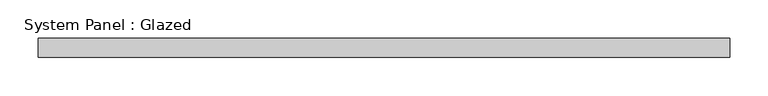
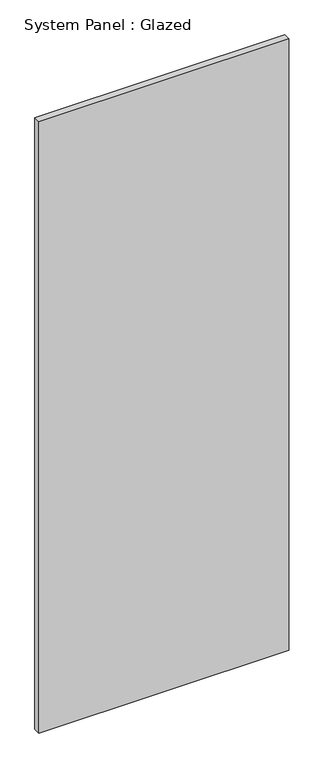
"""IFC4 building model written with IfcOpenShell, lengths in millimetres: plate geometry, System Panel : Glazed."""

import ifcopenshell
import ifcopenshell.guid

model = None  # the IFC model being written
_history = None  # IfcOwnerHistory: only IFC2X3 demands one
_inside = {}  # id of a spatial element -> (the spatial element, [elements in it])
_under = {}  # id of a project, library or spatial element -> (it, [spatial elements below it])
_declared = {}  # id of a project -> (the project, [libraries it declares])
_typed = {}  # id of a type object -> (the type object, [elements of that type])
_made_of = {}  # id of a material, layer set ... -> (it, [elements and type objects made of it])


def new_model(schema):
    """Start an empty IFC model of exactly this schema.

    Asked for "IFC4X3", IfcOpenShell would pick the latest addendum, in which some entities
    have other attributes; the version numbers below select the first issue.
    IFC2X3 requires an IfcOwnerHistory on every rooted entity: one is made here for all.
    """
    global model, _history
    if schema == "IFC4X3":
        model = ifcopenshell.file(schema_version=(4, 3, 0, 0))
    else:
        model = ifcopenshell.file(schema=schema)
    _inside.clear()
    _under.clear()
    _declared.clear()
    _typed.clear()
    _made_of.clear()
    _history = None
    if model.schema == "IFC2X3":
        org = make("IfcOrganization", Name="unknown")
        user = make(
            "IfcPersonAndOrganization",
            ThePerson=make("IfcPerson", FamilyName="unknown"),
            TheOrganization=org,
        )
        app = make(
            "IfcApplication",
            ApplicationDeveloper=org,
            Version="unknown",
            ApplicationFullName="unknown",
            ApplicationIdentifier="unknown",
        )
        _history = make(
            "IfcOwnerHistory",
            OwningUser=user,
            OwningApplication=app,
            ChangeAction="ADDED",
            CreationDate=0,
        )
    return model


def make(cls, **values):
    """One entity of the class cls with the attributes given. An attribute that is None is left unset."""
    return model.create_entity(
        cls, **{name: value for name, value in values.items() if value is not None}
    )


def rooted(cls, **values):
    """An entity with a GlobalId (a new one), such as an element, a storey or a relation."""
    return make(cls, GlobalId=ifcopenshell.guid.new(), OwnerHistory=_history, **values)


def si_unit(unit_type, name, prefix=None):
    """IfcSIUnit, for example si_unit("LENGTHUNIT", "METRE", prefix="MILLI")."""
    return make("IfcSIUnit", UnitType=unit_type, Prefix=prefix, Name=name)


def assignment(units):
    """IfcUnitAssignment: the units of a project."""
    return None if units is None else make("IfcUnitAssignment", Units=units)


def point(xyz):
    """IfcCartesianPoint."""
    return None if xyz is None else make("IfcCartesianPoint", Coordinates=xyz)


def direction(xyz):
    """IfcDirection."""
    return None if xyz is None else make("IfcDirection", DirectionRatios=xyz)


def frame(location, z_axis=None, x_axis=None):
    """IfcAxis2Placement3D, a coordinate frame: its origin and axes. An axis left out is left unset."""
    return make(
        "IfcAxis2Placement3D",
        Location=point(location),
        Axis=direction(z_axis),
        RefDirection=direction(x_axis),
    )


def origin():
    """The frame at (0, 0, 0) with its axes left unset."""
    return frame((0.0, 0.0, 0.0))


def origin_with_axes():
    """The frame at (0, 0, 0) with the z axis (0, 0, 1) and the x axis (1, 0, 0) written out."""
    return frame((0.0, 0.0, 0.0), z_axis=(0.0, 0.0, 1.0), x_axis=(1.0, 0.0, 0.0))


def place(relative_to, where):
    """IfcLocalPlacement: puts the frame where relative to a parent placement (None: the world)."""
    return make(
        "IfcLocalPlacement", PlacementRelTo=relative_to, RelativePlacement=where
    )


def context(
    kind, dimensions, precision=None, world=None, true_north=None, identifier=None
):
    """IfcGeometricRepresentationContext, for example the 3D "Model" context."""
    return make(
        "IfcGeometricRepresentationContext",
        ContextIdentifier=identifier,
        ContextType=kind,
        CoordinateSpaceDimension=dimensions,
        Precision=precision,
        WorldCoordinateSystem=world,
        TrueNorth=true_north,
    )


def project(units=None, contexts=None):
    """IfcProject with its units and contexts."""
    return rooted(
        "IfcProject",
        Name="project",
        RepresentationContexts=contexts,
        UnitsInContext=assignment(units),
    )


def spatial(cls, under=None, at=None, **own):
    """A site, building, storey or space (cls), placed at a placement, below another one or the project."""
    s = rooted(cls, ObjectPlacement=at, **own)
    if under is not None:
        _under.setdefault(under.id(), (under, []))[1].append(s)
    return s


def polyline(points):
    """IfcPolyline through the points."""
    return make("IfcPolyline", Points=[point(p) for p in points])


def outline(outer, holes=None, kind="AREA"):
    """IfcArbitraryClosedProfileDef: a profile drawn as a closed curve; with holes, ...WithVoids."""
    if holes is None:
        return make("IfcArbitraryClosedProfileDef", ProfileType=kind, OuterCurve=outer)
    return make(
        "IfcArbitraryProfileDefWithVoids",
        ProfileType=kind,
        OuterCurve=outer,
        InnerCurves=holes,
    )


def extrude(swept, where, along, depth):
    """IfcExtrudedAreaSolid: the profile swept, set in the frame where, extruded along a direction by depth."""
    return make(
        "IfcExtrudedAreaSolid",
        SweptArea=swept,
        Position=where,
        ExtrudedDirection=direction(along),
        Depth=depth,
    )


def shape(context_of_items, identifier, shape_type, items):
    """IfcShapeRepresentation: the items that make up one representation, for example the "Body"."""
    return make(
        "IfcShapeRepresentation",
        ContextOfItems=context_of_items,
        RepresentationIdentifier=identifier,
        RepresentationType=shape_type,
        Items=items,
    )


def source(mapping_origin, context_of_items, identifier, shape_type, items):
    """IfcRepresentationMap: a shape defined once, which mapped items show again and again."""
    return make(
        "IfcRepresentationMap",
        MappingOrigin=mapping_origin,
        MappedRepresentation=shape(context_of_items, identifier, shape_type, items),
    )


def transform(
    local_origin,
    x_axis=None,
    y_axis=None,
    z_axis=None,
    scale=None,
    scale2=None,
    scale3=None,
    uniform=True,
):
    """IfcCartesianTransformationOperator3D, or its non-uniform kind. x_axis, y_axis, z_axis: its Axis1, 2, 3."""
    if uniform:
        return make(
            "IfcCartesianTransformationOperator3D",
            Axis1=direction(x_axis),
            Axis2=direction(y_axis),
            LocalOrigin=point(local_origin),
            Scale=scale,
            Axis3=direction(z_axis),
        )
    return make(
        "IfcCartesianTransformationOperator3DnonUniform",
        Axis1=direction(x_axis),
        Axis2=direction(y_axis),
        LocalOrigin=point(local_origin),
        Scale=scale,
        Axis3=direction(z_axis),
        Scale2=scale2,
        Scale3=scale3,
    )


def mapped(mapping_source, mapping_target):
    """IfcMappedItem: shows the shape of a source again, moved by a transform."""
    return make(
        "IfcMappedItem", MappingSource=mapping_source, MappingTarget=mapping_target
    )


def made_of(thing, what):
    """Note that an element or type object is made of a material, layer set ...; save() writes the relation."""
    if what is not None:
        _made_of.setdefault(what.id(), (what, []))[1].append(thing)
    return thing


def element(
    cls,
    number,
    at=None,
    inside=None,
    cuts=None,
    type_object=None,
    material=None,
    context=None,
    identifier="Body",
    shape_type=None,
    held_by="IfcProductDefinitionShape",
    body=None,
    shapes=None,
    **own,
):
    """One element of the class cls, such as IfcWall. Its Tag is "e" and its number.

    at: its placement. inside: the storey or other place that contains it. cuts: it is an
    opening in that element (IfcRelVoidsElement). A single representation is given by context,
    identifier, shape_type and body (its items); several are given by shapes. held_by: the class
    of the entity that holds the representations. save() writes the other relations.
    """
    e = rooted(cls, Tag="e%d" % number, ObjectPlacement=at, **own)
    if body is not None:
        shapes = [shape(context, identifier, shape_type, body)]
    if shapes is not None:
        e.Representation = make(held_by, Representations=shapes)
    if inside is not None:
        _inside.setdefault(inside.id(), (inside, []))[1].append(e)
    if cuts is not None:
        rooted(
            "IfcRelVoidsElement", RelatingBuildingElement=cuts, RelatedOpeningElement=e
        )
    if type_object is not None:
        _typed.setdefault(type_object.id(), (type_object, []))[1].append(e)
    return made_of(e, material)


def aggregate(whole, parts):
    """IfcRelAggregates: a whole, such as a stair, and the parts it consists of."""
    return rooted("IfcRelAggregates", RelatingObject=whole, RelatedObjects=parts)


def save(model, path):
    """Write the relations noted so far, then the file.

    IfcRelAggregates (storeys below a building ...), IfcRelContainedInSpatialStructure (elements
    in a storey), IfcRelDefinesByType, IfcRelAssociatesMaterial and IfcRelDeclares: one each for
    every whole, place, type object, material and project.
    """
    for whole, parts in _under.values():
        aggregate(whole, parts)
    for where, things in _inside.values():
        rooted(
            "IfcRelContainedInSpatialStructure",
            RelatedElements=things,
            RelatingStructure=where,
        )
    for kind, things in _typed.values():
        rooted("IfcRelDefinesByType", RelatedObjects=things, RelatingType=kind)
    for what, things in _made_of.values():
        rooted("IfcRelAssociatesMaterial", RelatedObjects=things, RelatingMaterial=what)
    for by, libraries in _declared.values():
        rooted("IfcRelDeclares", RelatingContext=by, RelatedDefinitions=libraries)
    model.write(path)


def system_panel_glazed_7bf57eba(model_context):
    return source(origin(), model_context, "Body", "SweptSolid", [
        extrude(outline(polyline([(454.025, 0.0), (-454.025, 0.0), (-454.025, 25.4), (454.025, 25.4), (454.025, 0.0)])), origin_with_axes(), (0.0, 0.0, 1.0), 2349.5),
    ])


if __name__ == "__main__":
    model = new_model("IFC4")
    model_context = context("Model", 3, world=origin())
    ifc_project = project(units=[si_unit("LENGTHUNIT", "METRE", prefix="MILLI")], contexts=[model_context])
    site = spatial("IfcSite", under=ifc_project)
    building = spatial("IfcBuilding", under=site)
    placement = place(None, origin())
    system_panel_glazed_shape = system_panel_glazed_7bf57eba(model_context)
    element("IfcPlate", 1, ObjectType="System Panel : Glazed", at=placement, inside=building, context=model_context, shape_type="MappedRepresentation", body=[
        mapped(system_panel_glazed_shape, transform((0.0, 0.0, 0.0), x_axis=(1.0, 0.0, 0.0), y_axis=(0.0, 1.0, 0.0), z_axis=(0.0, 0.0, 1.0))),
    ])
    save(model, "model.ifc")
